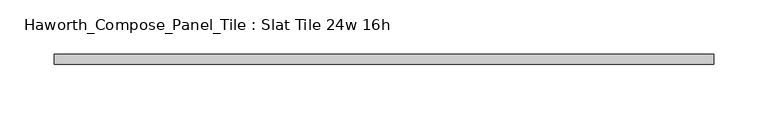
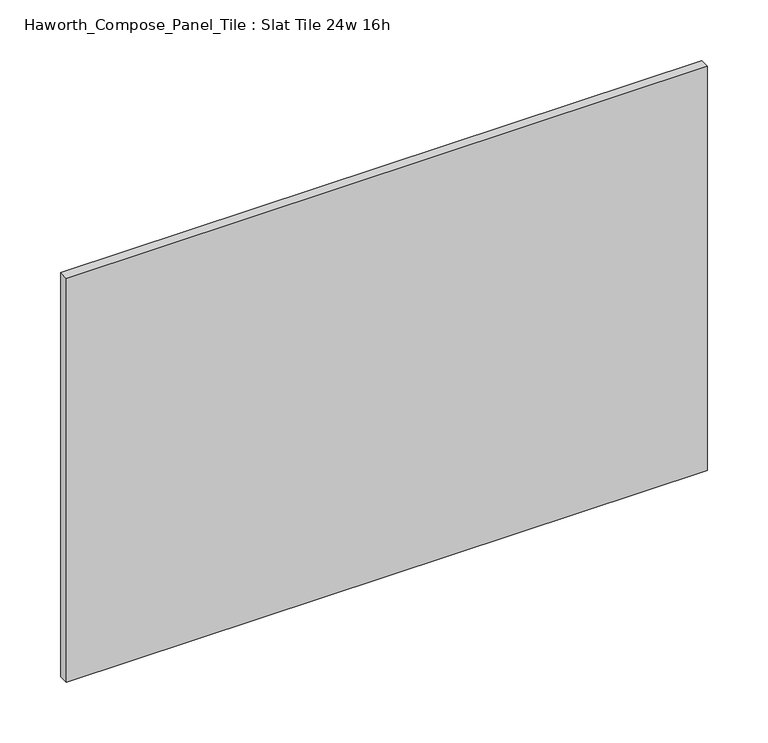
"""IFC4 building model written with IfcOpenShell, lengths in millimetres: furniture geometry, Haworth_Compose_Panel_Tile : Slat Tile 24w 16h."""

from ifc_helpers import new_model, si_unit, frame, origin, place, context, project, spatial, polyline, outline, extrude, source, transform, mapped, element, save


def haworth_compose_panel_tile_slat_tile_24w_16h_b4a44500(model_context):
    return source(origin(), model_context, "Body", "SweptSolid", [
        extrude(outline(polyline([(307.2402902, -25.7218594), (-302.3597098, -25.7218594), (-302.3597098, -16.1968594), (307.2402902, -16.1968594), (307.2402902, -25.7218594)])), frame((0.0, 0.0, 1066.8), z_axis=(0.0, 0.0, 1.0), x_axis=(1.0, 0.0, 0.0)), (0.0, 0.0, 1.0), 406.4),
    ])


if __name__ == "__main__":
    model = new_model("IFC4")
    model_context = context("Model", 3, world=origin())
    ifc_project = project(units=[si_unit("LENGTHUNIT", "METRE", prefix="MILLI")], contexts=[model_context])
    site = spatial("IfcSite", under=ifc_project)
    building = spatial("IfcBuilding", under=site)
    placement = place(None, origin())
    haworth_compose_panel_tile_slat_tile_24w_16h_shape = haworth_compose_panel_tile_slat_tile_24w_16h_b4a44500(model_context)
    element("IfcFurniture", 1, ObjectType="Haworth_Compose_Panel_Tile : Slat Tile 24w 16h", at=placement, inside=building, context=model_context, shape_type="MappedRepresentation", body=[
        mapped(haworth_compose_panel_tile_slat_tile_24w_16h_shape, transform((0.0, 0.0, 0.0), x_axis=(1.0, 0.0, 0.0), y_axis=(0.0, 1.0, 0.0), z_axis=(0.0, 0.0, 1.0))),
    ])
    save(model, "model.ifc")
